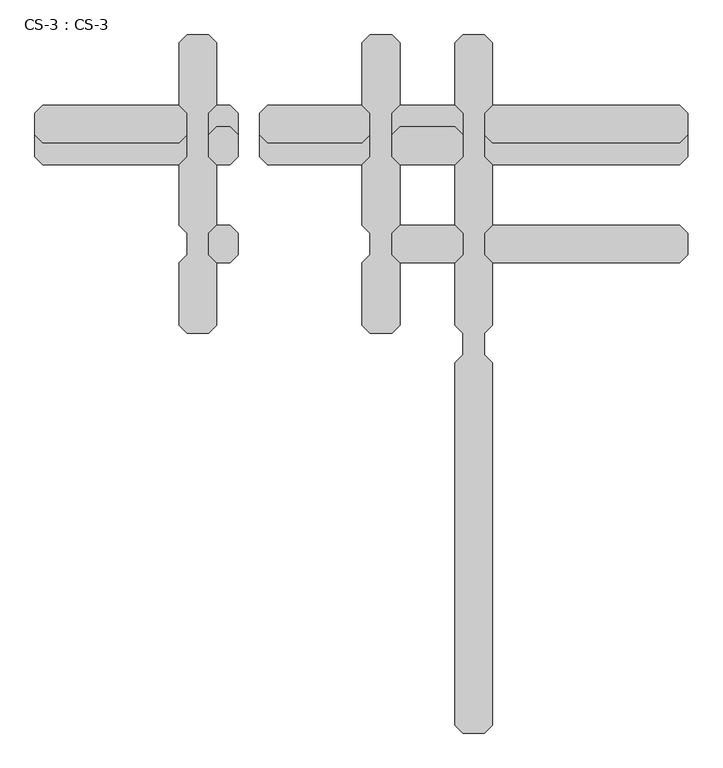
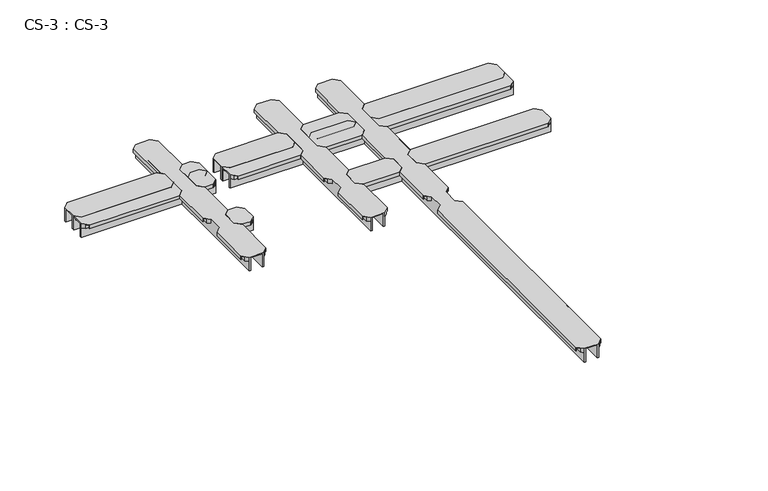
"""IFC4 building model written with IfcOpenShell, lengths in millimetres: proxy geometry, CS-3 : CS-3."""

from ifc_helpers import new_model, si_unit, origin, place, context, project, spatial, faceted_brep, source, transform, mapped, element, save


def cs_3_cs_3_a2575938(model_context):
    return source(origin(), model_context, "Body", "Brep", [
        faceted_brep([(1338.5802032, 1490.98, 46.355), (1338.5802032, 1490.98, 0.0), (1338.5802032, 1497.965, 0.0), (1338.5802032, 1497.965, 63.5), (1338.5802032, 1550.035, 63.5), (1338.5802032, 1550.035, 0.0), (1338.5802032, 1557.02, 0.0), (1338.5802032, 1557.02, 46.355), (1338.5802032, 1557.02, 66.675), (1338.5802032, 1490.98, 66.675), (1122.0451016, 1557.02, 46.355), (1122.0451016, 1557.02, 0.0), (1122.0451016, 1550.035, 0.0), (1122.0451016, 1550.035, 63.5), (1122.0451016, 1497.965, 63.5), (1122.0451016, 1497.965, 0.0), (1122.0451016, 1490.98, 0.0), (1122.0451016, 1490.98, 46.355), (1122.0451016, 1490.98, 66.675), (1122.0451016, 1557.02, 66.675), (1146.6831016, 1581.658, 66.675), (1313.9422032, 1581.658, 66.675), (1313.9422032, 1581.658, 49.8094), (1146.6831016, 1581.658, 49.8094), (1315.4662032, 1580.134, 49.8094), (1145.1591016, 1580.134, 49.8094), (1315.4662032, 1580.134, 64.643), (1145.1591016, 1580.134, 64.643), (1325.7532032, 1569.847, 64.643), (1134.8721016, 1569.847, 64.643), (1325.7532032, 1569.847, 46.355), (1134.8721016, 1569.847, 46.355), (1325.7532032, 1478.153, 46.355), (1134.8721016, 1478.153, 46.355), (1325.7532032, 1478.153, 64.643), (1134.8721016, 1478.153, 64.643), (1315.4662032, 1467.866, 64.643), (1145.1591016, 1467.866, 64.643), (1315.4662032, 1467.866, 49.8094), (1145.1591016, 1467.866, 49.8094), (1313.9422032, 1466.342, 49.8094), (1146.6831016, 1466.342, 49.8094), (1313.9422032, 1466.342, 66.675), (1146.6831016, 1466.342, 66.675)], [[[0, 1, 2, 3, 4, 5, 6, 7, 8, 9]], [[10, 11, 12, 13, 14, 15, 16, 17, 18, 19]], [[20, 21, 22, 23]], [[23, 22, 24, 25]], [[25, 24, 26, 27]], [[27, 26, 28, 29]], [[29, 28, 30, 31]], [[7, 10, 31, 30]], [[7, 6, 11, 10]], [[6, 5, 12, 11]], [[5, 4, 13, 12]], [[4, 3, 14, 13]], [[3, 2, 15, 14]], [[2, 1, 16, 15]], [[1, 0, 17, 16]], [[17, 0, 32, 33]], [[33, 32, 34, 35]], [[35, 34, 36, 37]], [[37, 36, 38, 39]], [[39, 38, 40, 41]], [[41, 40, 42, 43]], [[9, 8, 21, 20, 19, 18, 43, 42]], [[10, 19, 20, 23, 25, 27, 29, 31]], [[18, 17, 33, 35, 37, 39, 41, 43]], [[0, 9, 42, 40, 38, 36, 34, 32]], [[8, 7, 30, 28, 26, 24, 22, 21]]]),
        faceted_brep([(1338.5802032, 1790.7, 46.355), (1338.5802032, 1790.7, 0.0), (1338.5802032, 1797.685, 0.0), (1338.5802032, 1797.685, 63.5), (1338.5802032, 1849.755, 63.5), (1338.5802032, 1849.755, 0.0), (1338.5802032, 1856.74, 0.0), (1338.5802032, 1856.74, 46.355), (1338.5802032, 1856.74, 66.675), (1338.5802032, 1790.7, 66.675), (1122.0451016, 1856.74, 46.355), (1122.0451016, 1856.74, 0.0), (1122.0451016, 1849.755, 0.0), (1122.0451016, 1849.755, 63.5), (1122.0451016, 1797.685, 63.5), (1122.0451016, 1797.685, 0.0), (1122.0451016, 1790.7, 0.0), (1122.0451016, 1790.7, 46.355), (1122.0451016, 1790.7, 66.675), (1122.0451016, 1856.74, 66.675), (1146.6831016, 1881.378, 66.675), (1313.9422032, 1881.378, 66.675), (1313.9422032, 1881.378, 49.8094), (1146.6831016, 1881.378, 49.8094), (1315.4662032, 1879.854, 49.8094), (1145.1591016, 1879.854, 49.8094), (1315.4662032, 1879.854, 64.643), (1145.1591016, 1879.854, 64.643), (1325.7532032, 1869.567, 64.643), (1134.8721016, 1869.567, 64.643), (1325.7532032, 1869.567, 46.355), (1134.8721016, 1869.567, 46.355), (1325.7532032, 1777.873, 46.355), (1134.8721016, 1777.873, 46.355), (1325.7532032, 1777.873, 64.643), (1134.8721016, 1777.873, 64.643), (1315.4662032, 1767.586, 64.643), (1145.1591016, 1767.586, 64.643), (1315.4662032, 1767.586, 49.8094), (1145.1591016, 1767.586, 49.8094), (1313.9422032, 1766.062, 49.8094), (1146.6831016, 1766.062, 49.8094), (1313.9422032, 1766.062, 66.675), (1146.6831016, 1766.062, 66.675)], [[[0, 1, 2, 3, 4, 5, 6, 7, 8, 9]], [[10, 11, 12, 13, 14, 15, 16, 17, 18, 19]], [[20, 21, 22, 23]], [[23, 22, 24, 25]], [[25, 24, 26, 27]], [[27, 26, 28, 29]], [[29, 28, 30, 31]], [[7, 10, 31, 30]], [[7, 6, 11, 10]], [[6, 5, 12, 11]], [[5, 4, 13, 12]], [[4, 3, 14, 13]], [[3, 2, 15, 14]], [[2, 1, 16, 15]], [[1, 0, 17, 16]], [[17, 0, 32, 33]], [[33, 32, 34, 35]], [[35, 34, 36, 37]], [[37, 36, 38, 39]], [[39, 38, 40, 41]], [[41, 40, 42, 43]], [[9, 8, 21, 20, 19, 18, 43, 42]], [[10, 19, 20, 23, 25, 27, 29, 31]], [[18, 17, 33, 35, 37, 39, 41, 43]], [[0, 9, 42, 40, 38, 36, 34, 32]], [[8, 7, 30, 28, 26, 24, 22, 21]]]),
        faceted_brep([(1338.5802032, 1856.74, 46.355), (1338.5802032, 1856.74, 0.0), (1338.5802032, 1863.725, 0.0), (1338.5802032, 1863.725, 63.5), (1338.5802032, 1915.795, 63.5), (1338.5802032, 1915.795, 0.0), (1338.5802032, 1922.78, 0.0), (1338.5802032, 1922.78, 46.355), (1338.5802032, 1922.78, 66.675), (1338.5802032, 1856.74, 66.675), (1122.0451016, 1922.78, 46.355), (1122.0451016, 1922.78, 0.0), (1122.0451016, 1915.795, 0.0), (1122.0451016, 1915.795, 63.5), (1122.0451016, 1863.725, 63.5), (1122.0451016, 1863.725, 0.0), (1122.0451016, 1856.74, 0.0), (1122.0451016, 1856.74, 46.355), (1122.0451016, 1856.74, 66.675), (1122.0451016, 1922.78, 66.675), (1146.6831016, 1947.418, 66.675), (1313.9422032, 1947.418, 66.675), (1313.9422032, 1947.418, 49.8094), (1146.6831016, 1947.418, 49.8094), (1315.4662032, 1945.894, 49.8094), (1145.1591016, 1945.894, 49.8094), (1315.4662032, 1945.894, 64.643), (1145.1591016, 1945.894, 64.643), (1325.7532032, 1935.607, 64.643), (1134.8721016, 1935.607, 64.643), (1325.7532032, 1935.607, 46.355), (1134.8721016, 1935.607, 46.355), (1325.7532032, 1843.913, 46.355), (1134.8721016, 1843.913, 46.355), (1325.7532032, 1843.913, 64.643), (1134.8721016, 1843.913, 64.643), (1315.4662032, 1833.626, 64.643), (1145.1591016, 1833.626, 64.643), (1315.4662032, 1833.626, 49.8094), (1145.1591016, 1833.626, 49.8094), (1313.9422032, 1832.102, 49.8094), (1146.6831016, 1832.102, 49.8094), (1313.9422032, 1832.102, 66.675), (1146.6831016, 1832.102, 66.675)], [[[0, 1, 2, 3, 4, 5, 6, 7, 8, 9]], [[10, 11, 12, 13, 14, 15, 16, 17, 18, 19]], [[20, 21, 22, 23]], [[23, 22, 24, 25]], [[25, 24, 26, 27]], [[27, 26, 28, 29]], [[29, 28, 30, 31]], [[7, 10, 31, 30]], [[7, 6, 11, 10]], [[6, 5, 12, 11]], [[5, 4, 13, 12]], [[4, 3, 14, 13]], [[3, 2, 15, 14]], [[2, 1, 16, 15]], [[1, 0, 17, 16]], [[17, 0, 32, 33]], [[33, 32, 34, 35]], [[35, 34, 36, 37]], [[37, 36, 38, 39]], [[39, 38, 40, 41]], [[41, 40, 42, 43]], [[9, 8, 21, 20, 19, 18, 43, 42]], [[10, 19, 20, 23, 25, 27, 29, 31]], [[18, 17, 33, 35, 37, 39, 41, 43]], [[0, 9, 42, 40, 38, 36, 34, 32]], [[8, 7, 30, 28, 26, 24, 22, 21]]]),
        faceted_brep([(652.7801016, 1490.98, 46.355), (652.7801016, 1490.98, 0.0), (652.7801016, 1497.965, 0.0), (652.7801016, 1497.965, 63.5), (652.7801016, 1550.035, 63.5), (652.7801016, 1550.035, 0.0), (652.7801016, 1557.02, 0.0), (652.7801016, 1557.02, 46.355), (652.7801016, 1557.02, 66.675), (652.7801016, 1490.98, 66.675), (563.2451016, 1557.02, 46.355), (563.2451016, 1557.02, 0.0), (563.2451016, 1550.035, 0.0), (563.2451016, 1550.035, 63.5), (563.2451016, 1497.965, 63.5), (563.2451016, 1497.965, 0.0), (563.2451016, 1490.98, 0.0), (563.2451016, 1490.98, 46.355), (563.2451016, 1490.98, 66.675), (563.2451016, 1557.02, 66.675), (587.8831016, 1581.658, 66.675), (628.1421016, 1581.658, 66.675), (628.1421016, 1581.658, 49.8094), (587.8831016, 1581.658, 49.8094), (629.6661016, 1580.134, 49.8094), (586.3591016, 1580.134, 49.8094), (629.6661016, 1580.134, 64.643), (586.3591016, 1580.134, 64.643), (639.9531016, 1569.847, 64.643), (576.0721016, 1569.847, 64.643), (639.9531016, 1569.847, 46.355), (576.0721016, 1569.847, 46.355), (639.9531016, 1478.153, 46.355), (576.0721016, 1478.153, 46.355), (639.9531016, 1478.153, 64.643), (576.0721016, 1478.153, 64.643), (629.6661016, 1467.866, 64.643), (586.3591016, 1467.866, 64.643), (629.6661016, 1467.866, 49.8094), (586.3591016, 1467.866, 49.8094), (628.1421016, 1466.342, 49.8094), (587.8831016, 1466.342, 49.8094), (628.1421016, 1466.342, 66.675), (587.8831016, 1466.342, 66.675)], [[[0, 1, 2, 3, 4, 5, 6, 7, 8, 9]], [[10, 11, 12, 13, 14, 15, 16, 17, 18, 19]], [[20, 21, 22, 23]], [[23, 22, 24, 25]], [[25, 24, 26, 27]], [[27, 26, 28, 29]], [[29, 28, 30, 31]], [[7, 10, 31, 30]], [[7, 6, 11, 10]], [[6, 5, 12, 11]], [[5, 4, 13, 12]], [[4, 3, 14, 13]], [[3, 2, 15, 14]], [[2, 1, 16, 15]], [[1, 0, 17, 16]], [[17, 0, 32, 33]], [[33, 32, 34, 35]], [[35, 34, 36, 37]], [[37, 36, 38, 39]], [[39, 38, 40, 41]], [[41, 40, 42, 43]], [[9, 8, 21, 20, 19, 18, 43, 42]], [[10, 19, 20, 23, 25, 27, 29, 31]], [[18, 17, 33, 35, 37, 39, 41, 43]], [[0, 9, 42, 40, 38, 36, 34, 32]], [[8, 7, 30, 28, 26, 24, 22, 21]]]),
        faceted_brep([(652.7801016, 1790.7, 46.355), (652.7801016, 1790.7, 0.0), (652.7801016, 1797.685, 0.0), (652.7801016, 1797.685, 63.5), (652.7801016, 1849.755, 63.5), (652.7801016, 1849.755, 0.0), (652.7801016, 1856.74, 0.0), (652.7801016, 1856.74, 46.355), (652.7801016, 1856.74, 66.675), (652.7801016, 1790.7, 66.675), (563.2451016, 1856.74, 46.355), (563.2451016, 1856.74, 0.0), (563.2451016, 1849.755, 0.0), (563.2451016, 1849.755, 63.5), (563.2451016, 1797.685, 63.5), (563.2451016, 1797.685, 0.0), (563.2451016, 1790.7, 0.0), (563.2451016, 1790.7, 46.355), (563.2451016, 1790.7, 66.675), (563.2451016, 1856.74, 66.675), (587.8831016, 1881.378, 66.675), (628.1421016, 1881.378, 66.675), (628.1421016, 1881.378, 49.8094), (587.8831016, 1881.378, 49.8094), (629.6661016, 1879.854, 49.8094), (586.3591016, 1879.854, 49.8094), (629.6661016, 1879.854, 64.643), (586.3591016, 1879.854, 64.643), (639.9531016, 1869.567, 64.643), (576.0721016, 1869.567, 64.643), (639.9531016, 1869.567, 46.355), (576.0721016, 1869.567, 46.355), (639.9531016, 1777.873, 46.355), (576.0721016, 1777.873, 46.355), (639.9531016, 1777.873, 64.643), (576.0721016, 1777.873, 64.643), (629.6661016, 1767.586, 64.643), (586.3591016, 1767.586, 64.643), (629.6661016, 1767.586, 49.8094), (586.3591016, 1767.586, 49.8094), (628.1421016, 1766.062, 49.8094), (587.8831016, 1766.062, 49.8094), (628.1421016, 1766.062, 66.675), (587.8831016, 1766.062, 66.675)], [[[0, 1, 2, 3, 4, 5, 6, 7, 8, 9]], [[10, 11, 12, 13, 14, 15, 16, 17, 18, 19]], [[20, 21, 22, 23]], [[23, 22, 24, 25]], [[25, 24, 26, 27]], [[27, 26, 28, 29]], [[29, 28, 30, 31]], [[7, 10, 31, 30]], [[7, 6, 11, 10]], [[6, 5, 12, 11]], [[5, 4, 13, 12]], [[4, 3, 14, 13]], [[3, 2, 15, 14]], [[2, 1, 16, 15]], [[1, 0, 17, 16]], [[17, 0, 32, 33]], [[33, 32, 34, 35]], [[35, 34, 36, 37]], [[37, 36, 38, 39]], [[39, 38, 40, 41]], [[41, 40, 42, 43]], [[9, 8, 21, 20, 19, 18, 43, 42]], [[10, 19, 20, 23, 25, 27, 29, 31]], [[18, 17, 33, 35, 37, 39, 41, 43]], [[0, 9, 42, 40, 38, 36, 34, 32]], [[8, 7, 30, 28, 26, 24, 22, 21]]]),
        faceted_brep([(652.7801016, 1856.74, 46.355), (652.7801016, 1856.74, 0.0), (652.7801016, 1863.725, 0.0), (652.7801016, 1863.725, 63.5), (652.7801016, 1915.795, 63.5), (652.7801016, 1915.795, 0.0), (652.7801016, 1922.78, 0.0), (652.7801016, 1922.78, 46.355), (652.7801016, 1922.78, 66.675), (652.7801016, 1856.74, 66.675), (563.2451016, 1922.78, 46.355), (563.2451016, 1922.78, 0.0), (563.2451016, 1915.795, 0.0), (563.2451016, 1915.795, 63.5), (563.2451016, 1863.725, 63.5), (563.2451016, 1863.725, 0.0), (563.2451016, 1856.74, 0.0), (563.2451016, 1856.74, 46.355), (563.2451016, 1856.74, 66.675), (563.2451016, 1922.78, 66.675), (587.8831016, 1947.418, 66.675), (628.1421016, 1947.418, 66.675), (628.1421016, 1947.418, 49.8094), (587.8831016, 1947.418, 49.8094), (629.6661016, 1945.894, 49.8094), (586.3591016, 1945.894, 49.8094), (629.6661016, 1945.894, 64.643), (586.3591016, 1945.894, 64.643), (639.9531016, 1935.607, 64.643), (576.0721016, 1935.607, 64.643), (639.9531016, 1935.607, 46.355), (576.0721016, 1935.607, 46.355), (639.9531016, 1843.913, 46.355), (576.0721016, 1843.913, 46.355), (639.9531016, 1843.913, 64.643), (576.0721016, 1843.913, 64.643), (629.6661016, 1833.626, 64.643), (586.3591016, 1833.626, 64.643), (629.6661016, 1833.626, 49.8094), (586.3591016, 1833.626, 49.8094), (628.1421016, 1832.102, 49.8094), (587.8831016, 1832.102, 49.8094), (628.1421016, 1832.102, 66.675), (587.8831016, 1832.102, 66.675)], [[[0, 1, 2, 3, 4, 5, 6, 7, 8, 9]], [[10, 11, 12, 13, 14, 15, 16, 17, 18, 19]], [[20, 21, 22, 23]], [[23, 22, 24, 25]], [[25, 24, 26, 27]], [[27, 26, 28, 29]], [[29, 28, 30, 31]], [[7, 10, 31, 30]], [[7, 6, 11, 10]], [[6, 5, 12, 11]], [[5, 4, 13, 12]], [[4, 3, 14, 13]], [[3, 2, 15, 14]], [[2, 1, 16, 15]], [[1, 0, 17, 16]], [[17, 0, 32, 33]], [[33, 32, 34, 35]], [[35, 34, 36, 37]], [[37, 36, 38, 39]], [[39, 38, 40, 41]], [[41, 40, 42, 43]], [[9, 8, 21, 20, 19, 18, 43, 42]], [[10, 19, 20, 23, 25, 27, 29, 31]], [[18, 17, 33, 35, 37, 39, 41, 43]], [[0, 9, 42, 40, 38, 36, 34, 32]], [[8, 7, 30, 28, 26, 24, 22, 21]]]),
        faceted_brep([(1122.0451016, 2161.54, 46.355), (1122.0451016, 2161.54, 0.0), (1115.0601016, 2161.54, 0.0), (1115.0601016, 2161.54, 63.5), (1062.9901016, 2161.54, 63.5), (1062.9901016, 2161.54, 0.0), (1056.0051016, 2161.54, 0.0), (1056.0051016, 2161.54, 46.355), (1056.0051016, 2161.54, 66.675), (1122.0451016, 2161.54, 66.675), (1056.0051016, 1252.2200292, 46.355), (1056.0051016, 1252.2200292, 0.0), (1062.9901016, 1252.2200292, 0.0), (1062.9901016, 1252.2200292, 63.5), (1115.0601016, 1252.2200292, 63.5), (1115.0601016, 1252.2200292, 0.0), (1122.0451016, 1252.2200292, 0.0), (1122.0451016, 1252.2200292, 46.355), (1122.0451016, 1252.2200292, 66.675), (1056.0051016, 1252.2200292, 66.675), (1031.3671016, 1276.8580292, 49.8094), (1031.3671016, 1276.8580292, 66.675), (1031.3671016, 1466.3420292, 66.675), (1031.3671016, 1466.3420292, 49.8094), (1031.3671016, 2136.902, 66.675), (1031.3671016, 2136.902, 49.8094), (1031.3671016, 1947.4180292, 49.8094), (1031.3671016, 1947.4180292, 66.675), (1031.3671016, 1581.6580292, 49.8094), (1031.3671016, 1581.6580292, 66.675), (1031.3671016, 1766.0620292, 66.675), (1031.3671016, 1766.0620292, 49.8094), (1032.8911016, 1275.3340292, 49.8094), (1032.8911016, 1467.8660292, 49.8094), (1032.8911016, 2138.426, 49.8094), (1032.8911016, 1945.8940292, 49.8094), (1032.8911016, 1580.1340292, 49.8094), (1032.8911016, 1767.5860292, 49.8094), (1032.8911016, 1275.3340292, 64.643), (1032.8911016, 1467.8660292, 64.643), (1032.8911016, 2138.426, 64.643), (1032.8911016, 1945.8940292, 64.643), (1032.8911016, 1580.1340292, 64.643), (1032.8911016, 1767.5860292, 64.643), (1043.1781016, 1265.0470292, 64.643), (1043.1781016, 1478.1530292, 64.643), (1043.1781016, 2148.713, 64.643), (1043.1781016, 1935.6070292, 64.643), (1043.1781016, 1569.8470292, 64.643), (1043.1781016, 1777.8730292, 64.643), (1043.1781016, 1265.0470292, 46.355), (1043.1781016, 1478.1530292, 46.355), (1043.1781016, 2148.713, 46.355), (1043.1781016, 1935.6070292, 46.355), (1043.1781016, 1569.8470292, 46.355), (1043.1781016, 1777.8730292, 46.355), (1056.0051016, 1490.9800292, 46.355), (1056.0051016, 1922.7800292, 46.355), (1056.0051016, 1557.0200292, 46.355), (1056.0051016, 1790.7000292, 46.355), (1056.0051016, 1490.9800292, 66.675), (1056.0051016, 1557.0200292, 66.675), (1056.0051016, 1790.7000292, 66.675), (1056.0051016, 1922.7800292, 66.675), (1122.0451016, 1922.78, 46.355), (1122.0451016, 1922.78, 66.675), (1122.0451016, 1790.7000292, 66.675), (1122.0451016, 1790.7000292, 46.355), (1122.0451016, 1557.02, 46.355), (1122.0451016, 1557.02, 66.675), (1122.0451016, 1490.9800292, 66.675), (1122.0451016, 1490.9800292, 46.355), (1134.8721016, 1265.0470292, 46.355), (1134.8721016, 1478.153014, 46.355), (1134.8721016, 2148.713, 46.355), (1134.8721016, 1935.607, 46.355), (1134.8721016, 1569.847, 46.355), (1134.8721016, 1777.873014, 46.355), (1134.8721016, 1265.0470292, 64.643), (1134.8721016, 1478.153014, 64.643), (1134.8721016, 2148.713, 64.643), (1134.8721016, 1935.607, 64.643), (1134.8721016, 1569.847, 64.643), (1134.8721016, 1777.873014, 64.643), (1145.1591016, 1275.3340292, 64.643), (1145.1591016, 1467.8660018, 64.643), (1145.1591016, 2138.426, 64.643), (1145.1591016, 1945.894, 64.643), (1145.1591016, 1580.134, 64.643), (1145.1591016, 1767.5860018, 64.643), (1145.1591016, 1275.3340292, 49.8094), (1145.1591016, 1467.8660018, 49.8094), (1145.1591016, 2138.426, 49.8094), (1145.1591016, 1945.894, 49.8094), (1145.1591016, 1580.134, 49.8094), (1145.1591016, 1767.5860018, 49.8094), (1146.6831016, 1276.8580292, 49.8094), (1146.6831016, 1466.342, 49.8094), (1146.6831016, 2136.902, 49.8094), (1146.6831016, 1947.418, 49.8094), (1146.6831016, 1581.658, 49.8094), (1146.6831016, 1766.062, 49.8094), (1146.6831016, 1276.8580292, 66.675), (1146.6831016, 1466.342, 66.675), (1146.6831016, 2136.902, 66.675), (1146.6831016, 1947.418, 66.675), (1146.6831016, 1581.658, 66.675), (1146.6831016, 1766.062, 66.675)], [[[0, 1, 2, 3, 4, 5, 6, 7, 8, 9]], [[10, 11, 12, 13, 14, 15, 16, 17, 18, 19]], [[20, 21, 22, 23]], [[24, 25, 26, 27]], [[28, 29, 30, 31]], [[32, 20, 23, 33]], [[25, 34, 35, 26]], [[36, 28, 31, 37]], [[38, 32, 33, 39]], [[34, 40, 41, 35]], [[42, 36, 37, 43]], [[44, 38, 39, 45]], [[40, 46, 47, 41]], [[48, 42, 43, 49]], [[50, 44, 45, 51]], [[46, 52, 53, 47]], [[54, 48, 49, 55]], [[10, 50, 51, 56]], [[52, 7, 57, 53]], [[58, 54, 55, 59]], [[7, 6, 11, 10, 56, 60, 61, 58, 59, 62, 63, 57]], [[6, 5, 12, 11]], [[5, 4, 13, 12]], [[4, 3, 14, 13]], [[3, 2, 15, 14]], [[2, 1, 16, 15]], [[1, 0, 64, 65, 66, 67, 68, 69, 70, 71, 17, 16]], [[72, 17, 71, 73]], [[0, 74, 75, 64]], [[76, 68, 67, 77]], [[78, 72, 73, 79]], [[74, 80, 81, 75]], [[82, 76, 77, 83]], [[84, 78, 79, 85]], [[80, 86, 87, 81]], [[88, 82, 83, 89]], [[90, 84, 85, 91]], [[86, 92, 93, 87]], [[94, 88, 89, 95]], [[96, 90, 91, 97]], [[92, 98, 99, 93]], [[100, 94, 95, 101]], [[102, 96, 97, 103]], [[98, 104, 105, 99]], [[106, 100, 101, 107]], [[9, 8, 24, 27, 63, 62, 30, 29, 61, 60, 22, 21, 19, 18, 102, 103, 70, 69, 106, 107, 66, 65, 105, 104]], [[10, 19, 21, 20, 32, 38, 44, 50]], [[18, 17, 72, 78, 84, 90, 96, 102]], [[0, 9, 104, 98, 92, 86, 80, 74]], [[8, 7, 52, 46, 40, 34, 25, 24]], [[60, 56, 51, 45, 39, 33, 23, 22]], [[58, 61, 29, 28, 36, 42, 48, 54]], [[62, 59, 55, 49, 43, 37, 31, 30]], [[57, 63, 27, 26, 35, 41, 47, 53]], [[69, 68, 76, 82, 88, 94, 100, 106]], [[71, 70, 103, 97, 91, 85, 79, 73]], [[67, 66, 107, 101, 95, 89, 83, 77]], [[65, 64, 75, 81, 87, 93, 99, 105]]]),
        faceted_brep([(563.2451016, 2161.54, 46.355), (563.2451016, 2161.54, 0.0), (556.2601016, 2161.54, 0.0), (556.2601016, 2161.54, 63.5), (504.1901016, 2161.54, 63.5), (504.1901016, 2161.54, 0.0), (497.2051016, 2161.54, 0.0), (497.2051016, 2161.54, 46.355), (497.2051016, 2161.54, 66.675), (563.2451016, 2161.54, 66.675), (497.2051016, 1252.2200292, 46.355), (497.2051016, 1252.2200292, 0.0), (504.1901016, 1252.2200292, 0.0), (504.1901016, 1252.2200292, 63.5), (556.2601016, 1252.2200292, 63.5), (556.2601016, 1252.2200292, 0.0), (563.2451016, 1252.2200292, 0.0), (563.2451016, 1252.2200292, 46.355), (563.2451016, 1252.2200292, 66.675), (497.2051016, 1252.2200292, 66.675), (472.5671016, 1276.8580292, 49.8094), (472.5671016, 1276.8580292, 66.675), (472.5671016, 1466.3420292, 66.675), (472.5671016, 1466.3420292, 49.8094), (472.5671016, 2136.902, 66.675), (472.5671016, 2136.902, 49.8094), (472.5671016, 1947.4180292, 49.8094), (472.5671016, 1947.4180292, 66.675), (472.5671016, 1581.6580292, 49.8094), (472.5671016, 1581.6580292, 66.675), (472.5671016, 1766.0620292, 66.675), (472.5671016, 1766.0620292, 49.8094), (474.0911016, 1275.3340292, 49.8094), (474.0911016, 1467.8660292, 49.8094), (474.0911016, 2138.426, 49.8094), (474.0911016, 1945.8940292, 49.8094), (474.0911016, 1580.1340292, 49.8094), (474.0911016, 1767.5860292, 49.8094), (474.0911016, 1275.3340292, 64.643), (474.0911016, 1467.8660292, 64.643), (474.0911016, 2138.426, 64.643), (474.0911016, 1945.8940292, 64.643), (474.0911016, 1580.1340292, 64.643), (474.0911016, 1767.5860292, 64.643), (484.3781016, 1265.0470292, 64.643), (484.3781016, 1478.1530292, 64.643), (484.3781016, 2148.713, 64.643), (484.3781016, 1935.6070292, 64.643), (484.3781016, 1569.8470292, 64.643), (484.3781016, 1777.8730292, 64.643), (484.3781016, 1265.0470292, 46.355), (484.3781016, 1478.1530292, 46.355), (484.3781016, 2148.713, 46.355), (484.3781016, 1935.6070292, 46.355), (484.3781016, 1569.8470292, 46.355), (484.3781016, 1777.8730292, 46.355), (497.2051016, 1490.9800292, 46.355), (497.2051016, 1922.7800292, 46.355), (497.2051016, 1557.0200292, 46.355), (497.2051016, 1790.7000292, 46.355), (497.2051016, 1490.9800292, 66.675), (497.2051016, 1557.0200292, 66.675), (497.2051016, 1790.7000292, 66.675), (497.2051016, 1922.7800292, 66.675), (563.2451016, 1922.78, 46.355), (563.2451016, 1922.78, 66.675), (563.2451016, 1790.7000292, 66.675), (563.2451016, 1790.7000292, 46.355), (563.2451016, 1557.02, 46.355), (563.2451016, 1557.02, 66.675), (563.2451016, 1490.9800292, 66.675), (563.2451016, 1490.9800292, 46.355), (576.0721016, 1265.0470292, 46.355), (576.0721016, 1478.153014, 46.355), (576.0721016, 2148.713, 46.355), (576.0721016, 1935.607, 46.355), (576.0721016, 1569.847, 46.355), (576.0721016, 1777.873014, 46.355), (576.0721016, 1265.0470292, 64.643), (576.0721016, 1478.153014, 64.643), (576.0721016, 2148.713, 64.643), (576.0721016, 1935.607, 64.643), (576.0721016, 1569.847, 64.643), (576.0721016, 1777.873014, 64.643), (586.3591016, 1275.3340292, 64.643), (586.3591016, 1467.8660018, 64.643), (586.3591016, 2138.426, 64.643), (586.3591016, 1945.894, 64.643), (586.3591016, 1580.134, 64.643), (586.3591016, 1767.5860018, 64.643), (586.3591016, 1275.3340292, 49.8094), (586.3591016, 1467.8660018, 49.8094), (586.3591016, 2138.426, 49.8094), (586.3591016, 1945.894, 49.8094), (586.3591016, 1580.134, 49.8094), (586.3591016, 1767.5860018, 49.8094), (587.8831016, 1276.8580292, 49.8094), (587.8831016, 1466.342, 49.8094), (587.8831016, 2136.902, 49.8094), (587.8831016, 1947.418, 49.8094), (587.8831016, 1581.658, 49.8094), (587.8831016, 1766.062, 49.8094), (587.8831016, 1276.8580292, 66.675), (587.8831016, 1466.342, 66.675), (587.8831016, 2136.902, 66.675), (587.8831016, 1947.418, 66.675), (587.8831016, 1581.658, 66.675), (587.8831016, 1766.062, 66.675)], [[[0, 1, 2, 3, 4, 5, 6, 7, 8, 9]], [[10, 11, 12, 13, 14, 15, 16, 17, 18, 19]], [[20, 21, 22, 23]], [[24, 25, 26, 27]], [[28, 29, 30, 31]], [[32, 20, 23, 33]], [[25, 34, 35, 26]], [[36, 28, 31, 37]], [[38, 32, 33, 39]], [[34, 40, 41, 35]], [[42, 36, 37, 43]], [[44, 38, 39, 45]], [[40, 46, 47, 41]], [[48, 42, 43, 49]], [[50, 44, 45, 51]], [[46, 52, 53, 47]], [[54, 48, 49, 55]], [[10, 50, 51, 56]], [[52, 7, 57, 53]], [[58, 54, 55, 59]], [[7, 6, 11, 10, 56, 60, 61, 58, 59, 62, 63, 57]], [[6, 5, 12, 11]], [[5, 4, 13, 12]], [[4, 3, 14, 13]], [[3, 2, 15, 14]], [[2, 1, 16, 15]], [[1, 0, 64, 65, 66, 67, 68, 69, 70, 71, 17, 16]], [[72, 17, 71, 73]], [[0, 74, 75, 64]], [[76, 68, 67, 77]], [[78, 72, 73, 79]], [[74, 80, 81, 75]], [[82, 76, 77, 83]], [[84, 78, 79, 85]], [[80, 86, 87, 81]], [[88, 82, 83, 89]], [[90, 84, 85, 91]], [[86, 92, 93, 87]], [[94, 88, 89, 95]], [[96, 90, 91, 97]], [[92, 98, 99, 93]], [[100, 94, 95, 101]], [[102, 96, 97, 103]], [[98, 104, 105, 99]], [[106, 100, 101, 107]], [[9, 8, 24, 27, 63, 62, 30, 29, 61, 60, 22, 21, 19, 18, 102, 103, 70, 69, 106, 107, 66, 65, 105, 104]], [[10, 19, 21, 20, 32, 38, 44, 50]], [[18, 17, 72, 78, 84, 90, 96, 102]], [[0, 9, 104, 98, 92, 86, 80, 74]], [[8, 7, 52, 46, 40, 34, 25, 24]], [[60, 56, 51, 45, 39, 33, 23, 22]], [[58, 61, 29, 28, 36, 42, 48, 54]], [[62, 59, 55, 49, 43, 37, 31, 30]], [[57, 63, 27, 26, 35, 41, 47, 53]], [[69, 68, 76, 82, 88, 94, 100, 106]], [[71, 70, 103, 97, 91, 85, 79, 73]], [[67, 66, 107, 101, 95, 89, 83, 77]], [[65, 64, 75, 81, 87, 93, 99, 105]]]),
        faceted_brep([(1404.6202032, 2161.54, 46.355), (1404.6202032, 2161.54, 0.0), (1397.6352032, 2161.54, 0.0), (1397.6352032, 2161.54, 63.5), (1345.5652032, 2161.54, 63.5), (1345.5652032, 2161.54, 0.0), (1338.5802032, 2161.54, 0.0), (1338.5802032, 2161.54, 46.355), (1338.5802032, 2161.54, 66.675), (1404.6202032, 2161.54, 66.675), (1338.5802032, 33.02, 46.355), (1338.5802032, 33.02, 0.0), (1345.5652032, 33.02, 0.0), (1345.5652032, 33.02, 63.5), (1397.6352032, 33.02, 63.5), (1397.6352032, 33.02, 0.0), (1404.6202032, 33.02, 0.0), (1404.6202032, 33.02, 46.355), (1404.6202032, 33.02, 66.675), (1338.5802032, 33.02, 66.675), (1313.9422032, 57.658, 49.8094), (1313.9422032, 57.658, 66.675), (1313.9422032, 1161.542, 66.675), (1313.9422032, 1161.542, 49.8094), (1313.9422032, 2136.902, 66.675), (1313.9422032, 2136.902, 49.8094), (1313.9422032, 1947.418, 49.8094), (1313.9422032, 1947.418, 66.675), (1313.9422032, 1276.858, 49.8094), (1313.9422032, 1276.858, 66.675), (1313.9422032, 1466.342, 66.675), (1313.9422032, 1466.342, 49.8094), (1313.9422032, 1581.658, 49.8094), (1313.9422032, 1581.658, 66.675), (1313.9422032, 1766.062, 66.675), (1313.9422032, 1766.062, 49.8094), (1315.4662032, 56.134, 49.8094), (1315.4662032, 1163.066, 49.8094), (1315.4662032, 2138.426, 49.8094), (1315.4662032, 1945.894, 49.8094), (1315.4662032, 1275.334, 49.8094), (1315.4662032, 1467.866, 49.8094), (1315.4662032, 1580.134, 49.8094), (1315.4662032, 1767.586, 49.8094), (1315.4662032, 56.134, 64.643), (1315.4662032, 1163.066, 64.643), (1315.4662032, 2138.426, 64.643), (1315.4662032, 1945.894, 64.643), (1315.4662032, 1275.334, 64.643), (1315.4662032, 1467.866, 64.643), (1315.4662032, 1580.134, 64.643), (1315.4662032, 1767.586, 64.643), (1325.7532032, 45.847, 64.643), (1325.7532032, 1173.353, 64.643), (1325.7532032, 2148.713, 64.643), (1325.7532032, 1935.607, 64.643), (1325.7532032, 1265.047, 64.643), (1325.7532032, 1478.153, 64.643), (1325.7532032, 1569.847, 64.643), (1325.7532032, 1777.873, 64.643), (1325.7532032, 45.847, 46.355), (1325.7532032, 1173.353, 46.355), (1325.7532032, 2148.713, 46.355), (1325.7532032, 1935.607, 46.355), (1325.7532032, 1265.047, 46.355), (1325.7532032, 1478.153, 46.355), (1325.7532032, 1569.847, 46.355), (1325.7532032, 1777.873, 46.355), (1338.5802032, 1186.18, 46.355), (1338.5802032, 1922.78, 46.355), (1338.5802032, 1252.22, 46.355), (1338.5802032, 1490.98, 46.355), (1338.5802032, 1557.02, 46.355), (1338.5802032, 1790.7, 46.355), (1338.5802032, 1186.18, 66.675), (1338.5802032, 1252.22, 66.675), (1338.5802032, 1490.98, 66.675), (1338.5802032, 1557.02, 66.675), (1338.5802032, 1790.7, 66.675), (1338.5802032, 1922.78, 66.675), (1404.6202032, 1922.78, 46.355), (1404.6202032, 1922.78, 66.675), (1404.6202032, 1790.7, 66.675), (1404.6202032, 1790.7, 46.355), (1404.6202032, 1557.02, 46.355), (1404.6202032, 1557.02, 66.675), (1404.6202032, 1490.98, 66.675), (1404.6202032, 1490.98, 46.355), (1404.6202032, 1252.2200292, 46.355), (1404.6202032, 1252.2200292, 66.675), (1404.6202032, 1186.18, 66.675), (1404.6202032, 1186.18, 46.355), (1417.4472032, 45.847, 46.355), (1417.4472032, 1173.3530152, 46.355), (1417.4472032, 2148.713, 46.355), (1417.4472032, 1935.607, 46.355), (1417.4472032, 1265.0470292, 46.355), (1417.4472032, 1478.153, 46.355), (1417.4472032, 1569.847, 46.355), (1417.4472032, 1777.873, 46.355), (1417.4472032, 45.847, 64.643), (1417.4472032, 1173.3530152, 64.643), (1417.4472032, 2148.713, 64.643), (1417.4472032, 1935.607, 64.643), (1417.4472032, 1265.0470292, 64.643), (1417.4472032, 1478.153, 64.643), (1417.4472032, 1569.847, 64.643), (1417.4472032, 1777.873, 64.643), (1427.7342032, 56.134, 64.643), (1427.7342032, 1163.0660274, 64.643), (1427.7342032, 2138.426, 64.643), (1427.7342032, 1945.894, 64.643), (1427.7342032, 1275.3340292, 64.643), (1427.7342032, 1467.866, 64.643), (1427.7342032, 1580.134, 64.643), (1427.7342032, 1767.586, 64.643), (1427.7342032, 56.134, 49.8094), (1427.7342032, 1163.0660274, 49.8094), (1427.7342032, 2138.426, 49.8094), (1427.7342032, 1945.894, 49.8094), (1427.7342032, 1275.3340292, 49.8094), (1427.7342032, 1467.866, 49.8094), (1427.7342032, 1580.134, 49.8094), (1427.7342032, 1767.586, 49.8094), (1429.2582032, 57.658, 49.8094), (1429.2582032, 1161.5420292, 49.8094), (1429.2582032, 2136.902, 49.8094), (1429.2582032, 1947.418, 49.8094), (1429.2582032, 1276.8580292, 49.8094), (1429.2582032, 1466.342, 49.8094), (1429.2582032, 1581.658, 49.8094), (1429.2582032, 1766.062, 49.8094), (1429.2582032, 57.658, 66.675), (1429.2582032, 1161.5420292, 66.675), (1429.2582032, 2136.902, 66.675), (1429.2582032, 1947.418, 66.675), (1429.2582032, 1276.8580292, 66.675), (1429.2582032, 1466.342, 66.675), (1429.2582032, 1581.658, 66.675), (1429.2582032, 1766.062, 66.675)], [[[0, 1, 2, 3, 4, 5, 6, 7, 8, 9]], [[10, 11, 12, 13, 14, 15, 16, 17, 18, 19]], [[20, 21, 22, 23]], [[24, 25, 26, 27]], [[28, 29, 30, 31]], [[32, 33, 34, 35]], [[36, 20, 23, 37]], [[25, 38, 39, 26]], [[40, 28, 31, 41]], [[42, 32, 35, 43]], [[44, 36, 37, 45]], [[38, 46, 47, 39]], [[48, 40, 41, 49]], [[50, 42, 43, 51]], [[52, 44, 45, 53]], [[46, 54, 55, 47]], [[56, 48, 49, 57]], [[58, 50, 51, 59]], [[60, 52, 53, 61]], [[54, 62, 63, 55]], [[64, 56, 57, 65]], [[66, 58, 59, 67]], [[10, 60, 61, 68]], [[62, 7, 69, 63]], [[70, 64, 65, 71]], [[72, 66, 67, 73]], [[7, 6, 11, 10, 68, 74, 75, 70, 71, 76, 77, 72, 73, 78, 79, 69]], [[6, 5, 12, 11]], [[5, 4, 13, 12]], [[4, 3, 14, 13]], [[3, 2, 15, 14]], [[2, 1, 16, 15]], [[1, 0, 80, 81, 82, 83, 84, 85, 86, 87, 88, 89, 90, 91, 17, 16]], [[92, 17, 91, 93]], [[0, 94, 95, 80]], [[96, 88, 87, 97]], [[98, 84, 83, 99]], [[100, 92, 93, 101]], [[94, 102, 103, 95]], [[104, 96, 97, 105]], [[106, 98, 99, 107]], [[108, 100, 101, 109]], [[102, 110, 111, 103]], [[112, 104, 105, 113]], [[114, 106, 107, 115]], [[116, 108, 109, 117]], [[110, 118, 119, 111]], [[120, 112, 113, 121]], [[122, 114, 115, 123]], [[124, 116, 117, 125]], [[118, 126, 127, 119]], [[128, 120, 121, 129]], [[130, 122, 123, 131]], [[132, 124, 125, 133]], [[126, 134, 135, 127]], [[136, 128, 129, 137]], [[138, 130, 131, 139]], [[9, 8, 24, 27, 79, 78, 34, 33, 77, 76, 30, 29, 75, 74, 22, 21, 19, 18, 132, 133, 90, 89, 136, 137, 86, 85, 138, 139, 82, 81, 135, 134]], [[10, 19, 21, 20, 36, 44, 52, 60]], [[18, 17, 92, 100, 108, 116, 124, 132]], [[0, 9, 134, 126, 118, 110, 102, 94]], [[8, 7, 62, 54, 46, 38, 25, 24]], [[74, 68, 61, 53, 45, 37, 23, 22]], [[70, 75, 29, 28, 40, 48, 56, 64]], [[76, 71, 65, 57, 49, 41, 31, 30]], [[72, 77, 33, 32, 42, 50, 58, 66]], [[78, 73, 67, 59, 51, 43, 35, 34]], [[69, 79, 27, 26, 39, 47, 55, 63]], [[89, 88, 96, 104, 112, 120, 128, 136]], [[91, 90, 133, 125, 117, 109, 101, 93]], [[85, 84, 98, 106, 114, 122, 130, 138]], [[87, 86, 137, 129, 121, 113, 105, 97]], [[83, 82, 139, 131, 123, 115, 107, 99]], [[81, 80, 95, 103, 111, 119, 127, 135]]]),
        faceted_brep([(2024.3803048, 1856.74, 46.355), (2024.3803048, 1856.74, 0.0), (2024.3803048, 1863.725, 0.0), (2024.3803048, 1863.725, 63.5), (2024.3803048, 1915.795, 63.5), (2024.3803048, 1915.795, 0.0), (2024.3803048, 1922.78, 0.0), (2024.3803048, 1922.78, 46.355), (2024.3803048, 1922.78, 66.675), (2024.3803048, 1856.74, 66.675), (1404.6202032, 1922.78, 46.355), (1404.6202032, 1922.78, 0.0), (1404.6202032, 1915.795, 0.0), (1404.6202032, 1915.795, 63.5), (1404.6202032, 1863.725, 63.5), (1404.6202032, 1863.725, 0.0), (1404.6202032, 1856.74, 0.0), (1404.6202032, 1856.74, 46.355), (1404.6202032, 1856.74, 66.675), (1404.6202032, 1922.78, 66.675), (1429.2582032, 1947.418, 66.675), (1999.7423048, 1947.418, 66.675), (1999.7423048, 1947.418, 49.8094), (1429.2582032, 1947.418, 49.8094), (2001.2663048, 1945.894, 49.8094), (1427.7342032, 1945.894, 49.8094), (2001.2663048, 1945.894, 64.643), (1427.7342032, 1945.894, 64.643), (2011.5533048, 1935.607, 64.643), (1417.4472032, 1935.607, 64.643), (2011.5533048, 1935.607, 46.355), (1417.4472032, 1935.607, 46.355), (2011.5533048, 1843.913, 46.355), (1417.4472032, 1843.913, 46.355), (2011.5533048, 1843.913, 64.643), (1417.4472032, 1843.913, 64.643), (2001.2663048, 1833.626, 64.643), (1427.7342032, 1833.626, 64.643), (2001.2663048, 1833.626, 49.8094), (1427.7342032, 1833.626, 49.8094), (1999.7423048, 1832.102, 49.8094), (1429.2582032, 1832.102, 49.8094), (1999.7423048, 1832.102, 66.675), (1429.2582032, 1832.102, 66.675)], [[[0, 1, 2, 3, 4, 5, 6, 7, 8, 9]], [[10, 11, 12, 13, 14, 15, 16, 17, 18, 19]], [[20, 21, 22, 23]], [[23, 22, 24, 25]], [[25, 24, 26, 27]], [[27, 26, 28, 29]], [[29, 28, 30, 31]], [[7, 10, 31, 30]], [[7, 6, 11, 10]], [[6, 5, 12, 11]], [[5, 4, 13, 12]], [[4, 3, 14, 13]], [[3, 2, 15, 14]], [[2, 1, 16, 15]], [[1, 0, 17, 16]], [[17, 0, 32, 33]], [[33, 32, 34, 35]], [[35, 34, 36, 37]], [[37, 36, 38, 39]], [[39, 38, 40, 41]], [[41, 40, 42, 43]], [[9, 8, 21, 20, 19, 18, 43, 42]], [[10, 19, 20, 23, 25, 27, 29, 31]], [[18, 17, 33, 35, 37, 39, 41, 43]], [[0, 9, 42, 40, 38, 36, 34, 32]], [[8, 7, 30, 28, 26, 24, 22, 21]]]),
        faceted_brep([(1056.0051016, 1856.74, 46.355), (1056.0051016, 1856.74, 0.0), (1056.0051016, 1863.725, 0.0), (1056.0051016, 1863.725, 63.5), (1056.0051016, 1915.795, 63.5), (1056.0051016, 1915.795, 0.0), (1056.0051016, 1922.78, 0.0), (1056.0051016, 1922.78, 46.355), (1056.0051016, 1922.78, 66.675), (1056.0051016, 1856.74, 66.675), (718.8201016, 1922.78, 46.355), (718.8201016, 1922.78, 0.0), (718.8201016, 1915.795, 0.0), (718.8201016, 1915.795, 63.5), (718.8201016, 1863.725, 63.5), (718.8201016, 1863.725, 0.0), (718.8201016, 1856.74, 0.0), (718.8201016, 1856.74, 46.355), (718.8201016, 1856.74, 66.675), (718.8201016, 1922.78, 66.675), (743.4581016, 1947.418, 66.675), (1031.3671016, 1947.418, 66.675), (1031.3671016, 1947.418, 49.8094), (743.4581016, 1947.418, 49.8094), (1032.8911016, 1945.894, 49.8094), (741.9341016, 1945.894, 49.8094), (1032.8911016, 1945.894, 64.643), (741.9341016, 1945.894, 64.643), (1043.1781016, 1935.607, 64.643), (731.6471016, 1935.607, 64.643), (1043.1781016, 1935.607, 46.355), (731.6471016, 1935.607, 46.355), (1043.1781016, 1843.913, 46.355), (731.6471016, 1843.913, 46.355), (1043.1781016, 1843.913, 64.643), (731.6471016, 1843.913, 64.643), (1032.8911016, 1833.626, 64.643), (741.9341016, 1833.626, 64.643), (1032.8911016, 1833.626, 49.8094), (741.9341016, 1833.626, 49.8094), (1031.3671016, 1832.102, 49.8094), (743.4581016, 1832.102, 49.8094), (1031.3671016, 1832.102, 66.675), (743.4581016, 1832.102, 66.675)], [[[0, 1, 2, 3, 4, 5, 6, 7, 8, 9]], [[10, 11, 12, 13, 14, 15, 16, 17, 18, 19]], [[20, 21, 22, 23]], [[23, 22, 24, 25]], [[25, 24, 26, 27]], [[27, 26, 28, 29]], [[29, 28, 30, 31]], [[7, 10, 31, 30]], [[7, 6, 11, 10]], [[6, 5, 12, 11]], [[5, 4, 13, 12]], [[4, 3, 14, 13]], [[3, 2, 15, 14]], [[2, 1, 16, 15]], [[1, 0, 17, 16]], [[17, 0, 32, 33]], [[33, 32, 34, 35]], [[35, 34, 36, 37]], [[37, 36, 38, 39]], [[39, 38, 40, 41]], [[41, 40, 42, 43]], [[9, 8, 21, 20, 19, 18, 43, 42]], [[10, 19, 20, 23, 25, 27, 29, 31]], [[18, 17, 33, 35, 37, 39, 41, 43]], [[0, 9, 42, 40, 38, 36, 34, 32]], [[8, 7, 30, 28, 26, 24, 22, 21]]]),
        faceted_brep([(497.2051016, 1856.74, 46.355), (497.2051016, 1856.74, 0.0), (497.2051016, 1863.725, 0.0), (497.2051016, 1863.725, 63.5), (497.2051016, 1915.795, 63.5), (497.2051016, 1915.795, 0.0), (497.2051016, 1922.78, 0.0), (497.2051016, 1922.78, 46.355), (497.2051016, 1922.78, 66.675), (497.2051016, 1856.74, 66.675), (33.02, 1922.78, 46.355), (33.02, 1922.78, 0.0), (33.02, 1915.795, 0.0), (33.02, 1915.795, 63.5), (33.02, 1863.725, 63.5), (33.02, 1863.725, 0.0), (33.02, 1856.74, 0.0), (33.02, 1856.74, 46.355), (33.02, 1856.74, 66.675), (33.02, 1922.78, 66.675), (57.658, 1947.418, 66.675), (472.5671016, 1947.418, 66.675), (472.5671016, 1947.418, 49.8094), (57.658, 1947.418, 49.8094), (474.0911016, 1945.894, 49.8094), (56.134, 1945.894, 49.8094), (474.0911016, 1945.894, 64.643), (56.134, 1945.894, 64.643), (484.3781016, 1935.607, 64.643), (45.847, 1935.607, 64.643), (484.3781016, 1935.607, 46.355), (45.847, 1935.607, 46.355), (484.3781016, 1843.913, 46.355), (45.847, 1843.913, 46.355), (484.3781016, 1843.913, 64.643), (45.847, 1843.913, 64.643), (474.0911016, 1833.626, 64.643), (56.134, 1833.626, 64.643), (474.0911016, 1833.626, 49.8094), (56.134, 1833.626, 49.8094), (472.5671016, 1832.102, 49.8094), (57.658, 1832.102, 49.8094), (472.5671016, 1832.102, 66.675), (57.658, 1832.102, 66.675)], [[[0, 1, 2, 3, 4, 5, 6, 7, 8, 9]], [[10, 11, 12, 13, 14, 15, 16, 17, 18, 19]], [[20, 21, 22, 23]], [[23, 22, 24, 25]], [[25, 24, 26, 27]], [[27, 26, 28, 29]], [[29, 28, 30, 31]], [[7, 10, 31, 30]], [[7, 6, 11, 10]], [[6, 5, 12, 11]], [[5, 4, 13, 12]], [[4, 3, 14, 13]], [[3, 2, 15, 14]], [[2, 1, 16, 15]], [[1, 0, 17, 16]], [[17, 0, 32, 33]], [[33, 32, 34, 35]], [[35, 34, 36, 37]], [[37, 36, 38, 39]], [[39, 38, 40, 41]], [[41, 40, 42, 43]], [[9, 8, 21, 20, 19, 18, 43, 42]], [[10, 19, 20, 23, 25, 27, 29, 31]], [[18, 17, 33, 35, 37, 39, 41, 43]], [[0, 9, 42, 40, 38, 36, 34, 32]], [[8, 7, 30, 28, 26, 24, 22, 21]]]),
        faceted_brep([(2024.3803048, 1790.7, 46.355), (2024.3803048, 1790.7, 0.0), (2024.3803048, 1797.685, 0.0), (2024.3803048, 1797.685, 63.5), (2024.3803048, 1849.755, 63.5), (2024.3803048, 1849.755, 0.0), (2024.3803048, 1856.74, 0.0), (2024.3803048, 1856.74, 46.355), (2024.3803048, 1856.74, 66.675), (2024.3803048, 1790.7, 66.675), (1404.6202032, 1856.74, 46.355), (1404.6202032, 1856.74, 0.0), (1404.6202032, 1849.755, 0.0), (1404.6202032, 1849.755, 63.5), (1404.6202032, 1797.685, 63.5), (1404.6202032, 1797.685, 0.0), (1404.6202032, 1790.7, 0.0), (1404.6202032, 1790.7, 46.355), (1404.6202032, 1790.7, 66.675), (1404.6202032, 1856.74, 66.675), (1429.2582032, 1881.378, 66.675), (1999.7423048, 1881.378, 66.675), (1999.7423048, 1881.378, 49.8094), (1429.2582032, 1881.378, 49.8094), (2001.2663048, 1879.854, 49.8094), (1427.7342032, 1879.854, 49.8094), (2001.2663048, 1879.854, 64.643), (1427.7342032, 1879.854, 64.643), (2011.5533048, 1869.567, 64.643), (1417.4472032, 1869.567, 64.643), (2011.5533048, 1869.567, 46.355), (1417.4472032, 1869.567, 46.355), (2011.5533048, 1777.873, 46.355), (1417.4472032, 1777.873, 46.355), (2011.5533048, 1777.873, 64.643), (1417.4472032, 1777.873, 64.643), (2001.2663048, 1767.586, 64.643), (1427.7342032, 1767.586, 64.643), (2001.2663048, 1767.586, 49.8094), (1427.7342032, 1767.586, 49.8094), (1999.7423048, 1766.062, 49.8094), (1429.2582032, 1766.062, 49.8094), (1999.7423048, 1766.062, 66.675), (1429.2582032, 1766.062, 66.675)], [[[0, 1, 2, 3, 4, 5, 6, 7, 8, 9]], [[10, 11, 12, 13, 14, 15, 16, 17, 18, 19]], [[20, 21, 22, 23]], [[23, 22, 24, 25]], [[25, 24, 26, 27]], [[27, 26, 28, 29]], [[29, 28, 30, 31]], [[7, 10, 31, 30]], [[7, 6, 11, 10]], [[6, 5, 12, 11]], [[5, 4, 13, 12]], [[4, 3, 14, 13]], [[3, 2, 15, 14]], [[2, 1, 16, 15]], [[1, 0, 17, 16]], [[17, 0, 32, 33]], [[33, 32, 34, 35]], [[35, 34, 36, 37]], [[37, 36, 38, 39]], [[39, 38, 40, 41]], [[41, 40, 42, 43]], [[9, 8, 21, 20, 19, 18, 43, 42]], [[10, 19, 20, 23, 25, 27, 29, 31]], [[18, 17, 33, 35, 37, 39, 41, 43]], [[0, 9, 42, 40, 38, 36, 34, 32]], [[8, 7, 30, 28, 26, 24, 22, 21]]]),
        faceted_brep([(1056.0051016, 1790.7, 46.355), (1056.0051016, 1790.7, 0.0), (1056.0051016, 1797.685, 0.0), (1056.0051016, 1797.685, 63.5), (1056.0051016, 1849.755, 63.5), (1056.0051016, 1849.755, 0.0), (1056.0051016, 1856.74, 0.0), (1056.0051016, 1856.74, 46.355), (1056.0051016, 1856.74, 66.675), (1056.0051016, 1790.7, 66.675), (718.8201016, 1856.74, 46.355), (718.8201016, 1856.74, 0.0), (718.8201016, 1849.755, 0.0), (718.8201016, 1849.755, 63.5), (718.8201016, 1797.685, 63.5), (718.8201016, 1797.685, 0.0), (718.8201016, 1790.7, 0.0), (718.8201016, 1790.7, 46.355), (718.8201016, 1790.7, 66.675), (718.8201016, 1856.74, 66.675), (743.4581016, 1881.378, 66.675), (1031.3671016, 1881.378, 66.675), (1031.3671016, 1881.378, 49.8094), (743.4581016, 1881.378, 49.8094), (1032.8911016, 1879.854, 49.8094), (741.9341016, 1879.854, 49.8094), (1032.8911016, 1879.854, 64.643), (741.9341016, 1879.854, 64.643), (1043.1781016, 1869.567, 64.643), (731.6471016, 1869.567, 64.643), (1043.1781016, 1869.567, 46.355), (731.6471016, 1869.567, 46.355), (1043.1781016, 1777.873, 46.355), (731.6471016, 1777.873, 46.355), (1043.1781016, 1777.873, 64.643), (731.6471016, 1777.873, 64.643), (1032.8911016, 1767.586, 64.643), (741.9341016, 1767.586, 64.643), (1032.8911016, 1767.586, 49.8094), (741.9341016, 1767.586, 49.8094), (1031.3671016, 1766.062, 49.8094), (743.4581016, 1766.062, 49.8094), (1031.3671016, 1766.062, 66.675), (743.4581016, 1766.062, 66.675)], [[[0, 1, 2, 3, 4, 5, 6, 7, 8, 9]], [[10, 11, 12, 13, 14, 15, 16, 17, 18, 19]], [[20, 21, 22, 23]], [[23, 22, 24, 25]], [[25, 24, 26, 27]], [[27, 26, 28, 29]], [[29, 28, 30, 31]], [[7, 10, 31, 30]], [[7, 6, 11, 10]], [[6, 5, 12, 11]], [[5, 4, 13, 12]], [[4, 3, 14, 13]], [[3, 2, 15, 14]], [[2, 1, 16, 15]], [[1, 0, 17, 16]], [[17, 0, 32, 33]], [[33, 32, 34, 35]], [[35, 34, 36, 37]], [[37, 36, 38, 39]], [[39, 38, 40, 41]], [[41, 40, 42, 43]], [[9, 8, 21, 20, 19, 18, 43, 42]], [[10, 19, 20, 23, 25, 27, 29, 31]], [[18, 17, 33, 35, 37, 39, 41, 43]], [[0, 9, 42, 40, 38, 36, 34, 32]], [[8, 7, 30, 28, 26, 24, 22, 21]]]),
        faceted_brep([(497.2051016, 1790.7, 46.355), (497.2051016, 1790.7, 0.0), (497.2051016, 1797.685, 0.0), (497.2051016, 1797.685, 63.5), (497.2051016, 1849.755, 63.5), (497.2051016, 1849.755, 0.0), (497.2051016, 1856.74, 0.0), (497.2051016, 1856.74, 46.355), (497.2051016, 1856.74, 66.675), (497.2051016, 1790.7, 66.675), (33.02, 1856.74, 46.355), (33.02, 1856.74, 0.0), (33.02, 1849.755, 0.0), (33.02, 1849.755, 63.5), (33.02, 1797.685, 63.5), (33.02, 1797.685, 0.0), (33.02, 1790.7, 0.0), (33.02, 1790.7, 46.355), (33.02, 1790.7, 66.675), (33.02, 1856.74, 66.675), (57.658, 1881.378, 66.675), (472.5671016, 1881.378, 66.675), (472.5671016, 1881.378, 49.8094), (57.658, 1881.378, 49.8094), (474.0911016, 1879.854, 49.8094), (56.134, 1879.854, 49.8094), (474.0911016, 1879.854, 64.643), (56.134, 1879.854, 64.643), (484.3781016, 1869.567, 64.643), (45.847, 1869.567, 64.643), (484.3781016, 1869.567, 46.355), (45.847, 1869.567, 46.355), (484.3781016, 1777.873, 46.355), (45.847, 1777.873, 46.355), (484.3781016, 1777.873, 64.643), (45.847, 1777.873, 64.643), (474.0911016, 1767.586, 64.643), (56.134, 1767.586, 64.643), (474.0911016, 1767.586, 49.8094), (56.134, 1767.586, 49.8094), (472.5671016, 1766.062, 49.8094), (57.658, 1766.062, 49.8094), (472.5671016, 1766.062, 66.675), (57.658, 1766.062, 66.675)], [[[0, 1, 2, 3, 4, 5, 6, 7, 8, 9]], [[10, 11, 12, 13, 14, 15, 16, 17, 18, 19]], [[20, 21, 22, 23]], [[23, 22, 24, 25]], [[25, 24, 26, 27]], [[27, 26, 28, 29]], [[29, 28, 30, 31]], [[7, 10, 31, 30]], [[7, 6, 11, 10]], [[6, 5, 12, 11]], [[5, 4, 13, 12]], [[4, 3, 14, 13]], [[3, 2, 15, 14]], [[2, 1, 16, 15]], [[1, 0, 17, 16]], [[17, 0, 32, 33]], [[33, 32, 34, 35]], [[35, 34, 36, 37]], [[37, 36, 38, 39]], [[39, 38, 40, 41]], [[41, 40, 42, 43]], [[9, 8, 21, 20, 19, 18, 43, 42]], [[10, 19, 20, 23, 25, 27, 29, 31]], [[18, 17, 33, 35, 37, 39, 41, 43]], [[0, 9, 42, 40, 38, 36, 34, 32]], [[8, 7, 30, 28, 26, 24, 22, 21]]]),
        faceted_brep([(2024.3803048, 1490.98, 46.355), (2024.3803048, 1490.98, 0.0), (2024.3803048, 1497.965, 0.0), (2024.3803048, 1497.965, 63.5), (2024.3803048, 1550.035, 63.5), (2024.3803048, 1550.035, 0.0), (2024.3803048, 1557.02, 0.0), (2024.3803048, 1557.02, 46.355), (2024.3803048, 1557.02, 66.675), (2024.3803048, 1490.98, 66.675), (1404.6202032, 1557.02, 46.355), (1404.6202032, 1557.02, 0.0), (1404.6202032, 1550.035, 0.0), (1404.6202032, 1550.035, 63.5), (1404.6202032, 1497.965, 63.5), (1404.6202032, 1497.965, 0.0), (1404.6202032, 1490.98, 0.0), (1404.6202032, 1490.98, 46.355), (1404.6202032, 1490.98, 66.675), (1404.6202032, 1557.02, 66.675), (1429.2582032, 1581.658, 66.675), (1999.7423048, 1581.658, 66.675), (1999.7423048, 1581.658, 49.8094), (1429.2582032, 1581.658, 49.8094), (2001.2663048, 1580.134, 49.8094), (1427.7342032, 1580.134, 49.8094), (2001.2663048, 1580.134, 64.643), (1427.7342032, 1580.134, 64.643), (2011.5533048, 1569.847, 64.643), (1417.4472032, 1569.847, 64.643), (2011.5533048, 1569.847, 46.355), (1417.4472032, 1569.847, 46.355), (2011.5533048, 1478.153, 46.355), (1417.4472032, 1478.153, 46.355), (2011.5533048, 1478.153, 64.643), (1417.4472032, 1478.153, 64.643), (2001.2663048, 1467.866, 64.643), (1427.7342032, 1467.866, 64.643), (2001.2663048, 1467.866, 49.8094), (1427.7342032, 1467.866, 49.8094), (1999.7423048, 1466.342, 49.8094), (1429.2582032, 1466.342, 49.8094), (1999.7423048, 1466.342, 66.675), (1429.2582032, 1466.342, 66.675)], [[[0, 1, 2, 3, 4, 5, 6, 7, 8, 9]], [[10, 11, 12, 13, 14, 15, 16, 17, 18, 19]], [[20, 21, 22, 23]], [[23, 22, 24, 25]], [[25, 24, 26, 27]], [[27, 26, 28, 29]], [[29, 28, 30, 31]], [[7, 10, 31, 30]], [[7, 6, 11, 10]], [[6, 5, 12, 11]], [[5, 4, 13, 12]], [[4, 3, 14, 13]], [[3, 2, 15, 14]], [[2, 1, 16, 15]], [[1, 0, 17, 16]], [[17, 0, 32, 33]], [[33, 32, 34, 35]], [[35, 34, 36, 37]], [[37, 36, 38, 39]], [[39, 38, 40, 41]], [[41, 40, 42, 43]], [[9, 8, 21, 20, 19, 18, 43, 42]], [[10, 19, 20, 23, 25, 27, 29, 31]], [[18, 17, 33, 35, 37, 39, 41, 43]], [[0, 9, 42, 40, 38, 36, 34, 32]], [[8, 7, 30, 28, 26, 24, 22, 21]]]),
    ])


if __name__ == "__main__":
    model = new_model("IFC4")
    model_context = context("Model", 3, world=origin())
    ifc_project = project(units=[si_unit("LENGTHUNIT", "METRE", prefix="MILLI")], contexts=[model_context])
    site = spatial("IfcSite", under=ifc_project)
    building = spatial("IfcBuilding", under=site)
    placement = place(None, origin())
    cs_3_cs_3_shape = cs_3_cs_3_a2575938(model_context)
    element("IfcBuildingElementProxy", 1, Name="CS-3 : CS-3", ObjectType="CS-3 : CS-3", at=placement, inside=building, context=model_context, shape_type="MappedRepresentation", body=[
        mapped(cs_3_cs_3_shape, transform((0.0, 0.0, 0.0), x_axis=(1.0, 0.0, 0.0), y_axis=(0.0, 1.0, 0.0), z_axis=(0.0, 0.0, 1.0))),
    ])
    save(model, "model.ifc")
